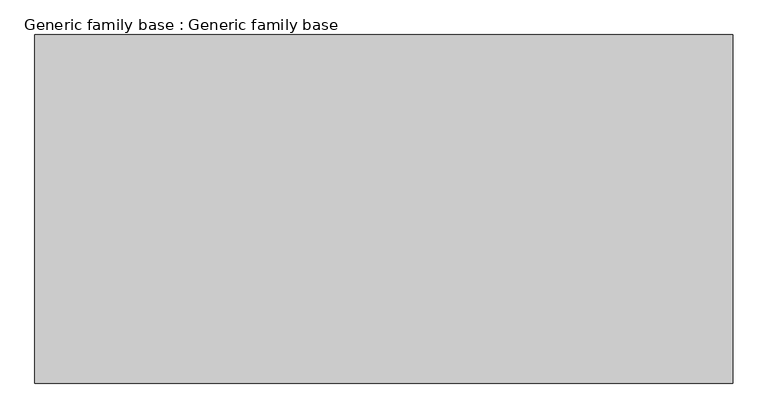
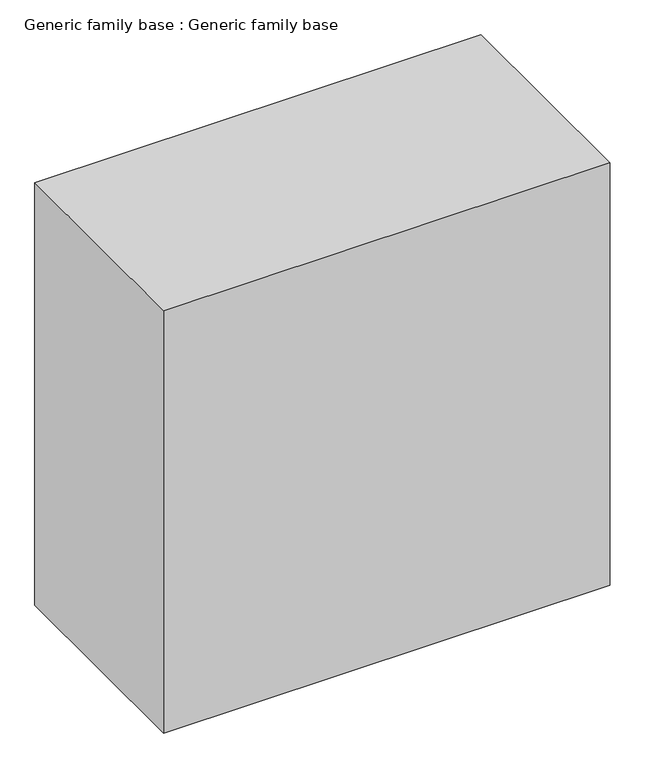
"""IFC4 building model written with IfcOpenShell, lengths in millimetres: proxy geometry, Generic family base : Generic family base."""

from ifc_helpers import new_model, si_unit, origin, origin_with_axes, place, context, project, spatial, polyline, outline, extrude, source, transform, mapped, element, save


def generic_family_base_generic_family_base_905ffe77(model_context):
    return source(origin(), model_context, "Body", "SweptSolid", [
        extrude(outline(polyline([(500.0, 250.0), (500.0, -250.0), (-500.0, -250.0), (-500.0, 250.0), (500.0, 250.0)])), origin_with_axes(), (0.0, 0.0, 1.0), 1000.0),
    ])


if __name__ == "__main__":
    model = new_model("IFC4")
    model_context = context("Model", 3, world=origin())
    ifc_project = project(units=[si_unit("LENGTHUNIT", "METRE", prefix="MILLI")], contexts=[model_context])
    site = spatial("IfcSite", under=ifc_project)
    building = spatial("IfcBuilding", under=site)
    placement = place(None, origin())
    generic_family_base_generic_family_base_shape = generic_family_base_generic_family_base_905ffe77(model_context)
    element("IfcBuildingElementProxy", 1, Name="Generic family base : Generic family base", ObjectType="Generic family base : Generic family base", at=placement, inside=building, context=model_context, shape_type="MappedRepresentation", body=[
        mapped(generic_family_base_generic_family_base_shape, transform((0.0, 0.0, 0.0), x_axis=(1.0, 0.0, 0.0), y_axis=(0.0, 1.0, 0.0), z_axis=(0.0, 0.0, 1.0))),
    ])
    save(model, "model.ifc")
